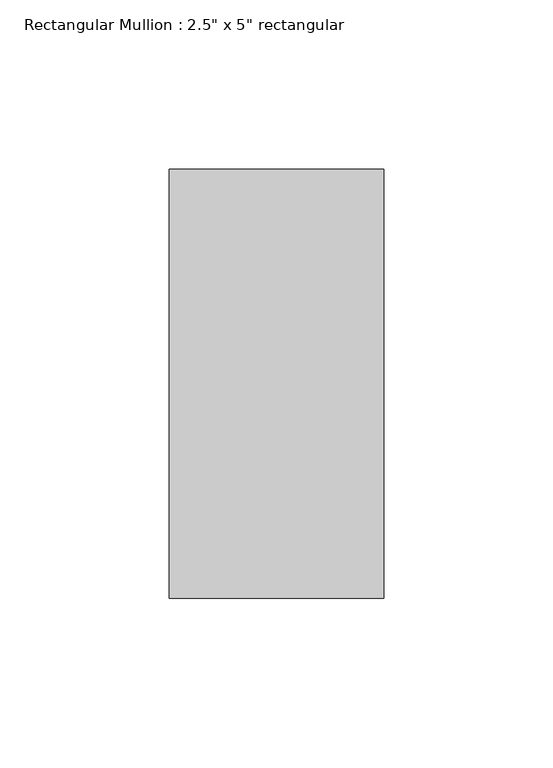
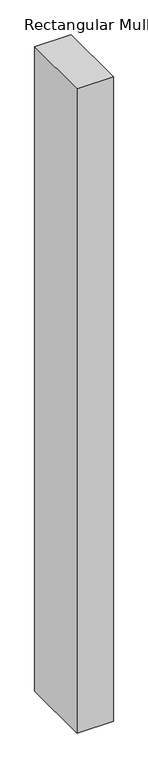
"""IFC4 building model written with IfcOpenShell, lengths in millimetres: member geometry."""

from ifc_helpers import new_model, si_unit, frame, origin, place, context, project, spatial, polyline, outline, extrude, source, transform, mapped, element, save


def member_c8c5b474(model_context):
    return source(origin(), model_context, "Body", "SweptSolid", [
        extrude(outline(polyline([(0.0, 63.5), (0.0, -63.5), (-63.5, -63.5), (-63.5, 63.5), (0.0, 63.5)])), frame((0.0, 0.0, -1184.91), z_axis=(0.0, 0.0, 1.0), x_axis=(1.0, 0.0, 0.0)), (0.0, 0.0, 1.0), 1184.91),
    ])


if __name__ == "__main__":
    model = new_model("IFC4")
    model_context = context("Model", 3, world=origin())
    ifc_project = project(units=[si_unit("LENGTHUNIT", "METRE", prefix="MILLI")], contexts=[model_context])
    site = spatial("IfcSite", under=ifc_project)
    building = spatial("IfcBuilding", under=site)
    placement = place(None, origin())
    member_shape = member_c8c5b474(model_context)
    element("IfcMember", 1, ObjectType="Rectangular Mullion : 2.5\" x 5\" rectangular", at=placement, inside=building, context=model_context, shape_type="MappedRepresentation", body=[
        mapped(member_shape, transform((0.0, 0.0, 0.0), x_axis=(1.0, 0.0, 0.0), y_axis=(0.0, 1.0, 0.0), z_axis=(0.0, 0.0, 1.0))),
    ])
    save(model, "model.ifc")
